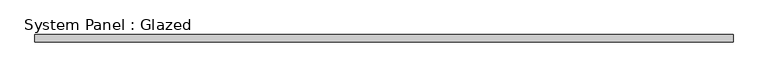
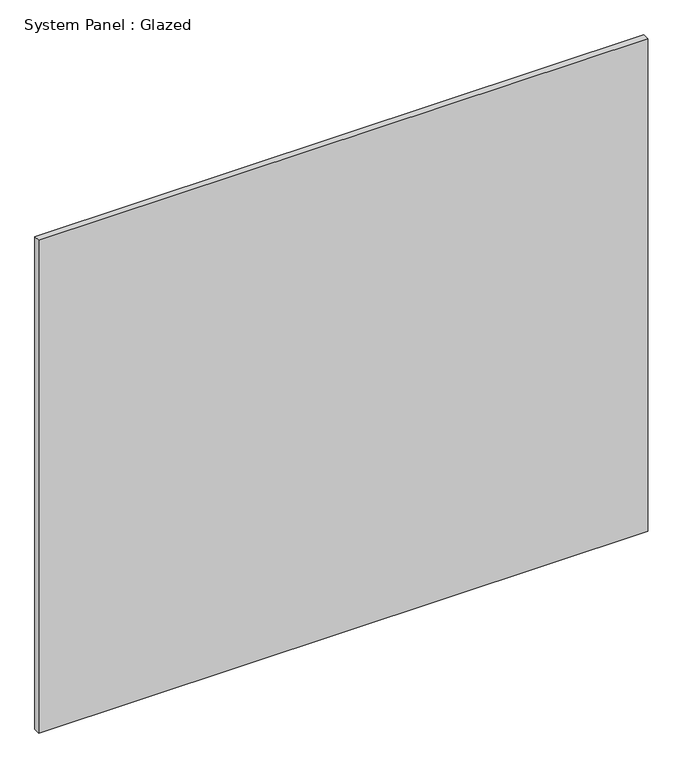
"""IFC4 building model written with IfcOpenShell, lengths in millimetres: plate geometry, System Panel : Glazed."""

from ifc_helpers import new_model, si_unit, origin, origin_with_axes, place, context, project, spatial, polyline, outline, extrude, source, transform, mapped, element, save


def system_panel_glazed_7887d676(model_context):
    return source(origin(), model_context, "Body", "SweptSolid", [
        extrude(outline(polyline([(1169.1991714, 24.5), (-1169.1991714, 24.5), (-1169.1991714, 49.5), (1169.1991714, 49.5), (1169.1991714, 24.5)])), origin_with_axes(), (0.0, 0.0, 1.0), 2000.0),
    ])


if __name__ == "__main__":
    model = new_model("IFC4")
    model_context = context("Model", 3, world=origin())
    ifc_project = project(units=[si_unit("LENGTHUNIT", "METRE", prefix="MILLI")], contexts=[model_context])
    site = spatial("IfcSite", under=ifc_project)
    building = spatial("IfcBuilding", under=site)
    placement = place(None, origin())
    system_panel_glazed_shape = system_panel_glazed_7887d676(model_context)
    element("IfcPlate", 1, ObjectType="System Panel : Glazed", at=placement, inside=building, context=model_context, shape_type="MappedRepresentation", body=[
        mapped(system_panel_glazed_shape, transform((0.0, 0.0, 0.0), x_axis=(1.0, 0.0, 0.0), y_axis=(0.0, 1.0, 0.0), z_axis=(0.0, 0.0, 1.0))),
    ])
    save(model, "model.ifc")
